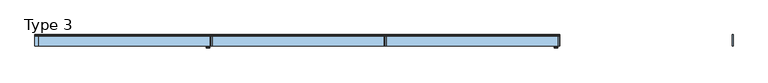
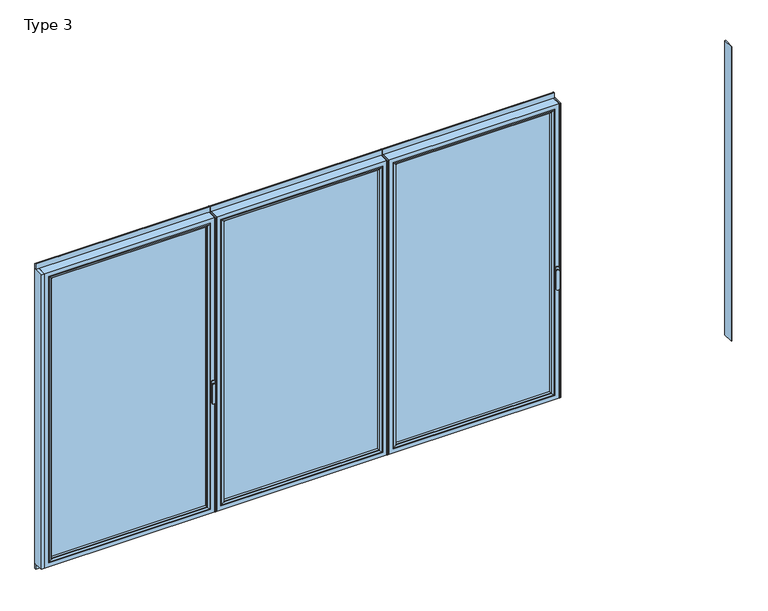
"""IFC4 building model written with IfcOpenShell, lengths in millimetres: window geometry, Type 3."""

from ifc_helpers import new_model, si_unit, point, frame, frame_2d, origin, place, context, project, spatial, polyline, circle_curve, ellipse_curve, trimmed, segment, composite_curve, outline, extrude, source, transform, mapped, element, save
from ifc_brep_helpers import plane_surface, cylinder_surface, extruded_surface, advanced_brep


def type_3_05ee2ec4(model_context):
    return source(origin(), model_context, "Body", "SolidModel", [
        advanced_brep(
        [(1224.3863692, -63.5, 1050.0), (1248.3636308, -63.5, 1050.0), (1248.3636308, -66.8965533, 1050.0), (1224.3863692, -66.8965533, 1050.0), (1224.3863692, -74.5, 1050.0), (1224.3863692, -74.5, 918.6867153), (1248.3636308, -74.5, 918.6867153), (1248.3636308, -74.5, 1050.0), (1248.3636308, -66.8965533, 918.6867153), (1224.3863692, -66.8965533, 918.6867153)],
        [
            (0, 1, circle_curve(frame((1236.375, -63.5, 1050.0), z_axis=(0.0, 1.0, 0.0), x_axis=(1.0, 0.0, 0.0)), 11.9886308)),
            (1, 0, circle_curve(frame((1236.375, -63.5, 1050.0), z_axis=(0.0, 1.0, 0.0), x_axis=(1.0, 0.0, 0.0)), 11.9886308)),
            (1, 2),
            (2, 3, circle_curve(frame((1236.375, -66.8965533, 1050.0), z_axis=(0.0, 1.0, 0.0), x_axis=(1.0, 0.0, 0.0)), 11.9886308)),
            (3, 0),
            (3, 2, circle_curve(frame((1236.375, -66.8965533, 1050.0), z_axis=(0.0, 1.0, 0.0), x_axis=(1.0, 0.0, 0.0)), 11.9886308)),
            (4, 5),
            (5, 6, ellipse_curve(frame((1236.375, -74.5, 918.6867153), z_axis=(0.0, -1.0, 0.0), x_axis=(-1.0, 0.0, 0.0)), 11.9886308, 7.9050795)),
            (6, 7),
            (7, 4, circle_curve(frame((1236.375, -74.5, 1050.0), z_axis=(0.0, -1.0, 0.0), x_axis=(1.0, 0.0, 0.0)), 11.9886308)),
            (2, 8),
            (8, 9, ellipse_curve(frame((1236.375, -66.8965533, 918.6867153), z_axis=(0.0, 1.0, 0.0), x_axis=(-1.0, 0.0, 0.0)), 11.9886308, 7.9050795)),
            (9, 3),
            (4, 3),
            (9, 5),
            (8, 6),
            (2, 7),
        ],
        [
            plane_surface(frame((1248.3636308, -63.5, 1050.0), z_axis=(0.0, 1.0, 0.0), x_axis=(0.0, 0.0, -1.0))),
            cylinder_surface(frame((1236.375, -63.5, 1050.0), z_axis=(0.0, -1.0, 0.0), x_axis=(1.0, 0.0, 0.0)), 11.9886308),
            plane_surface(frame((1224.3863692, -74.5, 928.3382074), z_axis=(0.0, -1.0, 0.0), x_axis=(0.0, 0.0, -1.0))),
            plane_surface(frame((1224.3863692, -66.8965533, 928.3382074), z_axis=(0.0, 1.0, 0.0), x_axis=(0.0, 0.0, 1.0))),
            plane_surface(frame((1224.3863692, -74.5, 1050.0), z_axis=(-1.0, 0.0, 0.0), x_axis=(0.0, 1.0, 0.0))),
            extruded_surface(trimmed(ellipse_curve(frame((1236.375, -59.2931066, 918.6867153), z_axis=(0.0, -1.0, 0.0), x_axis=(-1.0, 0.0, 0.0)), 11.9886308, 7.9050795), [point((1224.3863692, -59.2931066, 918.6867153))], [point((1248.3636308, -59.2931066, 918.6867153))], True, "CARTESIAN"), (0.0, -7.603446699999992, 0.0), 7.603446699999992),
            plane_surface(frame((1248.3636308, -74.5, 918.6867153), z_axis=(1.0, 0.0, 0.0), x_axis=(0.0, 1.0, 0.0))),
            cylinder_surface(frame((1236.375, -66.8965533, 1050.0), z_axis=(0.0, -1.0, 0.0), x_axis=(1.0, 0.0, 0.0)), 11.9886308),
        ],
        [
            (0, [[1, 2]]),
            (1, [[-2, 3, 4, 5]]),
            (1, [[-1, -5, 6, -3]]),
            (2, [[7, 8, 9, 10]]),
            (3, [[11, 12, 13, -4]]),
            (4, [[-7, 14, -13, 15]]),
            (5, [[-8, -15, -12, 16]]),
            (6, [[-9, -16, -11, 17]]),
            (7, [[-10, -17, -6, -14]]),
        ],
    ),
        extrude(outline(composite_curve([segment(polyline([(1068.75, 1222.375), (1031.25, 1222.375)]), True, "CONTINUOUS"), segment(trimmed(circle_curve(frame_2d((1031.25, 1236.375)), 14.0), [point((1031.25, 1222.375))], [point((1031.25, 1250.375))], False, "CARTESIAN"), True, "CONTINUOUS"), segment(polyline([(1031.25, 1250.375), (1068.75, 1250.375)]), True, "CONTINUOUS"), segment(trimmed(circle_curve(frame_2d((1068.75, 1236.375)), 14.0), [point((1068.75, 1250.375))], [point((1068.75, 1222.375))], False, "CARTESIAN"), True, "CONTINUOUS")], self_intersect=False)), frame((0.0, -63.5, 0.0), z_axis=(0.0, 1.0, 0.0), x_axis=(0.0, 0.0, 1.0)), (0.0, 0.0, 1.0), 3.5),
        extrude(outline(polyline([(10.75, 20.0), (16.75, 20.0), (16.75, -60.0), (10.75, -60.0), (10.75, 20.0)])), frame((0.0, 0.0, 66.0), z_axis=(0.0, 0.0, 1.0), x_axis=(1.0, 0.0, 0.0)), (0.0, 0.0, 1.0), 2258.0),
        extrude(outline(polyline([(1258.375, 20.0), (1258.375, -60.0), (1252.375, -60.0), (1252.375, 20.0), (1258.375, 20.0)])), frame((0.0, 0.0, 66.0), z_axis=(0.0, 0.0, 1.0), x_axis=(1.0, 0.0, 0.0)), (0.0, 0.0, 1.0), 2258.0),
        advanced_brep(
        [(16.75, -60.0, 2324.0), (16.75, 20.0, 2324.0), (16.75, 20.0, 66.0), (16.75, -60.0, 66.0), (1252.375, 20.0, 66.0), (1252.375, -60.0, 66.0), (1252.375, 20.0, 2324.0), (1206.8753707, 20.0, 111.4996293), (1206.8753707, 20.0, 2278.5003707), (62.2496293, 20.0, 2278.5003707), (62.2496293, 20.0, 111.4996293), (1252.375, -60.0, 2324.0), (48.75, -60.0, 98.0), (48.75, -60.0, 2292.0), (1220.375, -60.0, 2292.0), (1220.375, -60.0, 98.0), (48.75, 3.9999997, 2292.0), (48.75, 3.9999997, 98.0), (1220.375, 3.9999997, 98.0), (1220.375, 3.9999997, 2292.0), (66.750012, 3.9999997, 116.000012), (66.750012, 3.9999997, 2273.999988), (1202.374988, 3.9999997, 2273.999988), (1202.374988, 3.9999997, 116.000012), (66.750012, 15.4995565, 2273.999988), (66.750012, 15.4995565, 116.000012), (1202.374988, 15.4995565, 116.000012), (1202.374988, 15.4995565, 2273.999988)],
        [
            (0, 1),
            (1, 2),
            (2, 3),
            (3, 0),
            (2, 4),
            (4, 5),
            (5, 3),
            (1, 6),
            (6, 4),
            (7, 8),
            (8, 9),
            (9, 10),
            (10, 7),
            (6, 11),
            (11, 5),
            (11, 0),
            (12, 13),
            (13, 14),
            (14, 15),
            (15, 12),
            (16, 13),
            (12, 17),
            (17, 16),
            (15, 18),
            (18, 17),
            (14, 19),
            (19, 18),
            (19, 16),
            (20, 21),
            (21, 22),
            (22, 23),
            (23, 20),
            (24, 21),
            (20, 25),
            (25, 24),
            (23, 26),
            (26, 25),
            (22, 27),
            (27, 26),
            (10, 25, ellipse_curve(frame((62.2496293, 15.4995565, 111.4996293), z_axis=(0.7071067811865475, 0.0, -0.7071067811865475), x_axis=(-0.7071067811865476, 0.0, -0.7071067811865474)), 6.3645023, 4.5003827)),
            (26, 7, ellipse_curve(frame((1206.8753707, 15.4995565, 111.4996293), z_axis=(-0.7071067811865475, 0.0, -0.7071067811865475), x_axis=(-0.7071067811865476, 0.0, 0.7071067811865474)), 6.3645023, 4.5003827)),
            (9, 24, ellipse_curve(frame((62.2496293, 15.4995565, 2278.5003707), z_axis=(-0.7071067811865475, 0.0, -0.7071067811865475), x_axis=(-0.7071067811865474, 0.0, 0.7071067811865476)), 6.3645023, 4.5003827)),
            (27, 8, ellipse_curve(frame((1206.8753707, 15.4995565, 2278.5003707), z_axis=(0.7071067811865475, 0.0, -0.7071067811865475), x_axis=(-0.7071067811865474, 0.0, -0.7071067811865476)), 6.3645023, 4.5003827)),
            (24, 27),
        ],
        [
            plane_surface(frame((16.75, 20.0, 2324.0), z_axis=(-1.0, 0.0, 0.0), x_axis=(0.0, 0.0, -1.0))),
            plane_surface(frame((16.75, 20.0, 66.0), z_axis=(0.0, 0.0, -1.0), x_axis=(1.0, 0.0, 0.0))),
            plane_surface(frame((62.2496293, 20.0, 2278.5003707), z_axis=(0.0, 1.0, 0.0), x_axis=(0.0, 0.0, -1.0))),
            plane_surface(frame((1252.375, 20.0, 66.0), z_axis=(1.0, 0.0, 0.0), x_axis=(0.0, 0.0, 1.0))),
            plane_surface(frame((16.75, -60.0, 2324.0), z_axis=(0.0, -1.0, 0.0), x_axis=(0.0, 0.0, -1.0))),
            plane_surface(frame((48.75, -60.0, 2292.0), z_axis=(1.0, 0.0, 0.0), x_axis=(0.0, 0.0, -1.0))),
            plane_surface(frame((48.75, -60.0, 98.0), z_axis=(0.0, 0.0, 1.0), x_axis=(1.0, 0.0, 0.0))),
            plane_surface(frame((1220.375, -60.0, 98.0), z_axis=(-1.0, 0.0, 0.0), x_axis=(0.0, 0.0, 1.0))),
            plane_surface(frame((48.75, 3.9999997, 2292.0), z_axis=(0.0, -1.0, 0.0), x_axis=(0.0, 0.0, -1.0))),
            plane_surface(frame((66.750012, 3.9999997, 2273.999988), z_axis=(1.0, 0.0, 0.0), x_axis=(0.0, 0.0, -1.0))),
            plane_surface(frame((66.750012, 3.9999997, 116.000012), z_axis=(0.0, 0.0, 1.0), x_axis=(1.0, 0.0, 0.0))),
            plane_surface(frame((1202.374988, 3.9999997, 116.000012), z_axis=(-1.0, 0.0, 0.0), x_axis=(0.0, 0.0, 1.0))),
            cylinder_surface(frame((10.75, 15.4995565, 111.4996293), z_axis=(-1.0, 0.0, 0.0), x_axis=(0.0, -1.0, 0.0)), 4.5003827),
            cylinder_surface(frame((62.2496293, 15.4995565, 2330.0), z_axis=(0.0, 0.0, 1.0), x_axis=(0.0, -1.0, 0.0)), 4.5003827),
            cylinder_surface(frame((1206.8753707, 15.4995565, 60.0), z_axis=(0.0, 0.0, -1.0), x_axis=(0.0, -1.0, 0.0)), 4.5003827),
            plane_surface(frame((1252.375, 20.0, 2324.0), z_axis=(0.0, 0.0, 1.0), x_axis=(-1.0, 0.0, 0.0))),
            plane_surface(frame((1220.375, -60.0, 2292.0), z_axis=(0.0, 0.0, -1.0), x_axis=(-1.0, 0.0, 0.0))),
            plane_surface(frame((1202.374988, 3.9999997, 2273.999988), z_axis=(0.0, 0.0, -1.0), x_axis=(-1.0, 0.0, 0.0))),
            cylinder_surface(frame((1258.375, 15.4995565, 2278.5003707), z_axis=(1.0, 0.0, 0.0), x_axis=(0.0, -1.0, 0.0)), 4.5003827),
        ],
        [
            (0, [[1, 2, 3, 4]]),
            (1, [[-3, 5, 6, 7]]),
            (2, [[-2, 8, 9, -5], [10, 11, 12, 13]]),
            (3, [[-6, -9, 14, 15]]),
            (4, [[-15, 16, -4, -7], [17, 18, 19, 20]]),
            (5, [[21, -17, 22, 23]]),
            (6, [[-22, -20, 24, 25]]),
            (7, [[-24, -19, 26, 27]]),
            (8, [[-27, 28, -23, -25], [29, 30, 31, 32]]),
            (9, [[33, -29, 34, 35]]),
            (10, [[-34, -32, 36, 37]]),
            (11, [[-36, -31, 38, 39]]),
            (12, [[40, -37, 41, -13]]),
            (13, [[42, -35, -40, -12]]),
            (14, [[-41, -39, 43, -10]]),
            (15, [[-14, -8, -1, -16]]),
            (16, [[-26, -18, -21, -28]]),
            (17, [[-38, -30, -33, 44]]),
            (18, [[-43, -44, -42, -11]]),
        ],
    ),
        extrude(outline(polyline([(48.7503172, 3.9999997), (1220.3746828, 3.9999997), (1220.3746828, -34.0000003), (48.7503172, -34.0000003), (48.7503172, 3.9999997)])), frame((0.0, 0.0, 98.0003172), z_axis=(0.0, 0.0, 1.0), x_axis=(1.0, 0.0, 0.0)), (0.0, 0.0, 1.0), 2193.9993657),
        advanced_brep(
        [(1198.3751101, -54.5552044, 2270.0001101), (1198.3751101, -34.0000003, 2270.0001101), (1198.3751101, -34.0000003, 119.9998899), (1198.3751101, -54.5552044, 119.9998899), (1220.3746828, -34.0000003, 2291.9996828), (1220.3746828, -34.0000003, 98.0003172), (48.7503172, -34.0000003, 98.0003172), (48.7503172, -34.0000003, 2291.9996828), (70.7498899, -34.0000003, 2270.0001101), (70.7498899, -34.0000003, 119.9998899), (70.7498899, -54.5552044, 119.9998899), (1199.0846535, -55.8045072, 2270.7096535), (1199.0846535, -55.8045072, 119.2903465), (70.0403465, -55.8045072, 119.2903465), (1214.3747439, -60.0, 2285.9997439), (1214.3747439, -60.0, 104.0002561), (54.7502561, -60.0, 104.0002561), (48.7503172, -60.0, 2291.9996828), (48.7503172, -60.0, 98.0003172), (1220.3746828, -60.0, 98.0003172), (1220.3746828, -60.0, 2291.9996828), (54.7502561, -60.0, 2285.9997439), (70.7498899, -54.5552044, 2270.0001101), (70.0403465, -55.8045072, 2270.7096535)],
        [
            (0, 1),
            (1, 2),
            (2, 3),
            (3, 0),
            (4, 5),
            (5, 6),
            (6, 7),
            (7, 4),
            (8, 9),
            (9, 2),
            (1, 8),
            (9, 10),
            (10, 3),
            (11, 0, ellipse_curve(frame((1199.8297141, -54.5552044, 2271.4547141), z_axis=(0.7071067811865475, 0.0, -0.7071067811865475), x_axis=(0.7071067811865474, 0.0, 0.7071067811865476)), 2.0571207, 1.454604)),
            (3, 12, ellipse_curve(frame((1199.8297141, -54.5552044, 118.5452859), z_axis=(0.7071067811865475, 0.0, 0.7071067811865475), x_axis=(-0.7071067811865474, 0.0, 0.7071067811865476)), 2.0571207, 1.454604)),
            (12, 11),
            (10, 13, ellipse_curve(frame((69.2952859, -54.5552044, 118.5452859), z_axis=(0.7071067811865475, 0.0, -0.7071067811865475), x_axis=(0.7071067811865476, 0.0, 0.7071067811865474)), 2.0571207, 1.454604)),
            (13, 12),
            (14, 11, ellipse_curve(frame((1214.3108083, -30.2735922, 2285.9358083), z_axis=(0.7071067811865475, 0.0, -0.7071067811865475), x_axis=(0.7071067811865474, 0.0, 0.7071067811865476)), 42.0395863, 29.7264765)),
            (12, 15, ellipse_curve(frame((1214.3108083, -30.2735922, 104.0641917), z_axis=(0.7071067811865475, 0.0, 0.7071067811865475), x_axis=(-0.7071067811865474, 0.0, 0.7071067811865476)), 42.0395863, 29.7264765)),
            (15, 14),
            (13, 16, ellipse_curve(frame((54.8141917, -30.2735922, 104.0641917), z_axis=(0.7071067811865475, 0.0, -0.7071067811865475), x_axis=(0.7071067811865476, 0.0, 0.7071067811865474)), 42.0395863, 29.7264765)),
            (16, 15),
            (17, 18),
            (18, 19),
            (19, 20),
            (20, 17),
            (16, 21),
            (21, 14),
            (4, 20),
            (19, 5),
            (18, 6),
            (8, 22),
            (22, 10),
            (22, 23, ellipse_curve(frame((69.2952859, -54.5552044, 2271.4547141), z_axis=(-0.7071067811865475, 0.0, -0.7071067811865475), x_axis=(0.7071067811865474, 0.0, -0.7071067811865476)), 2.0571207, 1.454604)),
            (23, 13),
            (23, 21, ellipse_curve(frame((54.8141917, -30.2735922, 2285.9358083), z_axis=(-0.7071067811865475, 0.0, -0.7071067811865475), x_axis=(0.7071067811865474, 0.0, -0.7071067811865476)), 42.0395863, 29.7264765)),
            (17, 7),
            (0, 22),
            (11, 23),
        ],
        [
            plane_surface(frame((1198.3751101, -34.0000003, 2270.0001101), z_axis=(-1.0, 0.0, 0.0), x_axis=(0.0, 0.0, -1.0))),
            plane_surface(frame((48.7503172, -34.0000003, 98.0003172), z_axis=(0.0, 1.0, 0.0), x_axis=(0.0, 0.0, 1.0))),
            plane_surface(frame((1198.3751101, -34.0000003, 119.9998899), z_axis=(0.0, 0.0, 1.0), x_axis=(-1.0, 0.0, 0.0))),
            cylinder_surface(frame((1199.8297141, -54.5552044, 2273.999988), z_axis=(0.0, 0.0, 1.0), x_axis=(1.0, 0.0, 0.0)), 1.454604),
            cylinder_surface(frame((1202.374988, -54.5552044, 118.5452859), z_axis=(1.0, 0.0, 0.0), x_axis=(0.0, 0.0, -1.0)), 1.454604),
            cylinder_surface(frame((1214.3108083, -30.2735922, 2273.999988), z_axis=(0.0, 0.0, 1.0), x_axis=(1.0, 0.0, 0.0)), 29.7264765),
            cylinder_surface(frame((1202.374988, -30.2735922, 104.0641917), z_axis=(1.0, 0.0, 0.0), x_axis=(0.0, 0.0, -1.0)), 29.7264765),
            plane_surface(frame((54.7502561, -60.0, 104.0002561), z_axis=(0.0, -1.0, 0.0), x_axis=(0.0, 0.0, 1.0))),
            plane_surface(frame((1220.3746828, -60.0, 2291.9996828), z_axis=(1.0, 0.0, 0.0), x_axis=(0.0, 0.0, -1.0))),
            plane_surface(frame((1220.3746828, -60.0, 98.0003172), z_axis=(0.0, 0.0, -1.0), x_axis=(-1.0, 0.0, 0.0))),
            plane_surface(frame((70.7498899, -34.0000003, 119.9998899), z_axis=(1.0, 0.0, 0.0), x_axis=(0.0, 0.0, 1.0))),
            cylinder_surface(frame((69.2952859, -54.5552044, 116.000012), z_axis=(0.0, 0.0, -1.0), x_axis=(-1.0, 0.0, 0.0)), 1.454604),
            cylinder_surface(frame((54.8141917, -30.2735922, 116.000012), z_axis=(0.0, 0.0, -1.0), x_axis=(-1.0, 0.0, 0.0)), 29.7264765),
            plane_surface(frame((48.7503172, -60.0, 98.0003172), z_axis=(-1.0, 0.0, 0.0), x_axis=(0.0, 0.0, 1.0))),
            plane_surface(frame((70.7498899, -34.0000003, 2270.0001101), z_axis=(0.0, 0.0, -1.0), x_axis=(1.0, 0.0, 0.0))),
            cylinder_surface(frame((66.750012, -54.5552044, 2271.4547141), z_axis=(-1.0, 0.0, 0.0), x_axis=(0.0, 0.0, 1.0)), 1.454604),
            cylinder_surface(frame((66.750012, -30.2735922, 2285.9358083), z_axis=(-1.0, 0.0, 0.0), x_axis=(0.0, 0.0, 1.0)), 29.7264765),
            plane_surface(frame((48.7503172, -60.0, 2291.9996828), z_axis=(0.0, 0.0, 1.0), x_axis=(1.0, 0.0, 0.0))),
        ],
        [
            (0, [[1, 2, 3, 4]]),
            (1, [[5, 6, 7, 8], [9, 10, -2, 11]]),
            (2, [[-3, -10, 12, 13]]),
            (3, [[14, -4, 15, 16]]),
            (4, [[-15, -13, 17, 18]]),
            (5, [[19, -16, 20, 21]]),
            (6, [[-20, -18, 22, 23]]),
            (7, [[24, 25, 26, 27], [-21, -23, 28, 29]]),
            (8, [[30, -26, 31, -5]]),
            (9, [[-31, -25, 32, -6]]),
            (10, [[-12, -9, 33, 34]]),
            (11, [[-17, -34, 35, 36]]),
            (12, [[-22, -36, 37, -28]]),
            (13, [[-32, -24, 38, -7]]),
            (14, [[-33, -11, -1, 39]]),
            (15, [[-35, -39, -14, 40]]),
            (16, [[-37, -40, -19, -29]]),
            (17, [[-38, -27, -30, -8]]),
        ],
    ),
        extrude(outline(composite_curve([segment(polyline([(20.0, 2362.5), (20.0, 2324.0), (10.0, 2324.0), (10.0, 2365.0), (17.5, 2365.0)]), True, "CONTINUOUS"), segment(trimmed(circle_curve(frame_2d((17.5, 2362.5)), 2.5), [point((17.5, 2365.0))], [point((20.0, 2362.5))], False, "CARTESIAN"), True, "CONTINUOUS")], self_intersect=False)), frame((10.75, 0.0, 0.0), z_axis=(1.0, 0.0, 0.0), x_axis=(0.0, 1.0, 0.0)), (0.0, 0.0, 1.0), 1247.625),
        extrude(outline(composite_curve([segment(trimmed(circle_curve(frame_2d((17.5, 27.5)), 2.5), [point((20.0, 27.5))], [point((17.5, 25.0))], False, "CARTESIAN"), True, "CONTINUOUS"), segment(polyline([(17.5, 25.0), (10.0, 25.0), (10.0, 66.0), (20.0, 66.0), (20.0, 27.5)]), True, "CONTINUOUS")], self_intersect=False)), frame((10.75, 0.0, 0.0), z_axis=(1.0, 0.0, 0.0), x_axis=(0.0, 1.0, 0.0)), (0.0, 0.0, 1.0), 1247.625),
        extrude(outline(polyline([(-1236.875, 20.0), (-1230.875, 20.0), (-1230.875, -60.0), (-1236.875, -60.0), (-1236.875, 20.0)])), frame((0.0, 0.0, 66.0), z_axis=(0.0, 0.0, 1.0), x_axis=(1.0, 0.0, 0.0)), (0.0, 0.0, 1.0), 2258.0),
        extrude(outline(polyline([(10.75, 20.0), (10.75, -60.0), (4.75, -60.0), (4.75, 20.0), (10.75, 20.0)])), frame((0.0, 0.0, 66.0), z_axis=(0.0, 0.0, 1.0), x_axis=(1.0, 0.0, 0.0)), (0.0, 0.0, 1.0), 2258.0),
        advanced_brep(
        [(-1230.875, -60.0, 2324.0), (-1230.875, 20.0, 2324.0), (-1230.875, 20.0, 66.0), (-1230.875, -60.0, 66.0), (4.75, 20.0, 66.0), (4.75, -60.0, 66.0), (4.75, 20.0, 2324.0), (-40.7496293, 20.0, 111.4996293), (-40.7496293, 20.0, 2278.5003707), (-1185.3753707, 20.0, 2278.5003707), (-1185.3753707, 20.0, 111.4996293), (4.75, -60.0, 2324.0), (-1198.875, -60.0, 98.0), (-1198.875, -60.0, 2292.0), (-27.25, -60.0, 2292.0), (-27.25, -60.0, 98.0), (-1198.875, 3.9999997, 2292.0), (-1198.875, 3.9999997, 98.0), (-27.25, 3.9999997, 98.0), (-27.25, 3.9999997, 2292.0), (-1180.874988, 3.9999997, 116.000012), (-1180.874988, 3.9999997, 2273.999988), (-45.250012, 3.9999997, 2273.999988), (-45.250012, 3.9999997, 116.000012), (-1180.874988, 15.4995565, 2273.999988), (-1180.874988, 15.4995565, 116.000012), (-45.250012, 15.4995565, 116.000012), (-45.250012, 15.4995565, 2273.999988)],
        [
            (0, 1),
            (1, 2),
            (2, 3),
            (3, 0),
            (2, 4),
            (4, 5),
            (5, 3),
            (1, 6),
            (6, 4),
            (7, 8),
            (8, 9),
            (9, 10),
            (10, 7),
            (6, 11),
            (11, 5),
            (11, 0),
            (12, 13),
            (13, 14),
            (14, 15),
            (15, 12),
            (16, 13),
            (12, 17),
            (17, 16),
            (15, 18),
            (18, 17),
            (14, 19),
            (19, 18),
            (19, 16),
            (20, 21),
            (21, 22),
            (22, 23),
            (23, 20),
            (24, 21),
            (20, 25),
            (25, 24),
            (23, 26),
            (26, 25),
            (22, 27),
            (27, 26),
            (10, 25, ellipse_curve(frame((-1185.3753707, 15.4995565, 111.4996293), z_axis=(0.7071067811865475, 0.0, -0.7071067811865475), x_axis=(-0.7071067811865476, 0.0, -0.7071067811865474)), 6.3645023, 4.5003827)),
            (26, 7, ellipse_curve(frame((-40.7496293, 15.4995565, 111.4996293), z_axis=(-0.7071067811865475, 0.0, -0.7071067811865475), x_axis=(-0.7071067811865476, 0.0, 0.7071067811865474)), 6.3645023, 4.5003827)),
            (9, 24, ellipse_curve(frame((-1185.3753707, 15.4995565, 2278.5003707), z_axis=(-0.7071067811865475, 0.0, -0.7071067811865475), x_axis=(-0.7071067811865474, 0.0, 0.7071067811865476)), 6.3645023, 4.5003827)),
            (27, 8, ellipse_curve(frame((-40.7496293, 15.4995565, 2278.5003707), z_axis=(0.7071067811865475, 0.0, -0.7071067811865475), x_axis=(-0.7071067811865474, 0.0, -0.7071067811865476)), 6.3645023, 4.5003827)),
            (24, 27),
        ],
        [
            plane_surface(frame((-1230.875, 20.0, 2324.0), z_axis=(-1.0, 0.0, 0.0), x_axis=(0.0, 0.0, -1.0))),
            plane_surface(frame((-1230.875, 20.0, 66.0), z_axis=(0.0, 0.0, -1.0), x_axis=(1.0, 0.0, 0.0))),
            plane_surface(frame((-1185.3753707, 20.0, 2278.5003707), z_axis=(0.0, 1.0, 0.0), x_axis=(0.0, 0.0, -1.0))),
            plane_surface(frame((4.75, 20.0, 66.0), z_axis=(1.0, 0.0, 0.0), x_axis=(0.0, 0.0, 1.0))),
            plane_surface(frame((-1230.875, -60.0, 2324.0), z_axis=(0.0, -1.0, 0.0), x_axis=(0.0, 0.0, -1.0))),
            plane_surface(frame((-1198.875, -60.0, 2292.0), z_axis=(1.0, 0.0, 0.0), x_axis=(0.0, 0.0, -1.0))),
            plane_surface(frame((-1198.875, -60.0, 98.0), z_axis=(0.0, 0.0, 1.0), x_axis=(1.0, 0.0, 0.0))),
            plane_surface(frame((-27.25, -60.0, 98.0), z_axis=(-1.0, 0.0, 0.0), x_axis=(0.0, 0.0, 1.0))),
            plane_surface(frame((-1198.875, 3.9999997, 2292.0), z_axis=(0.0, -1.0, 0.0), x_axis=(0.0, 0.0, -1.0))),
            plane_surface(frame((-1180.874988, 3.9999997, 2273.999988), z_axis=(1.0, 0.0, 0.0), x_axis=(0.0, 0.0, -1.0))),
            plane_surface(frame((-1180.874988, 3.9999997, 116.000012), z_axis=(0.0, 0.0, 1.0), x_axis=(1.0, 0.0, 0.0))),
            plane_surface(frame((-45.250012, 3.9999997, 116.000012), z_axis=(-1.0, 0.0, 0.0), x_axis=(0.0, 0.0, 1.0))),
            cylinder_surface(frame((-1236.875, 15.4995565, 111.4996293), z_axis=(-1.0, 0.0, 0.0), x_axis=(0.0, -1.0, 0.0)), 4.5003827),
            cylinder_surface(frame((-1185.3753707, 15.4995565, 2330.0), z_axis=(0.0, 0.0, 1.0), x_axis=(0.0, -1.0, 0.0)), 4.5003827),
            cylinder_surface(frame((-40.7496293, 15.4995565, 60.0), z_axis=(0.0, 0.0, -1.0), x_axis=(0.0, -1.0, 0.0)), 4.5003827),
            plane_surface(frame((4.75, 20.0, 2324.0), z_axis=(0.0, 0.0, 1.0), x_axis=(-1.0, 0.0, 0.0))),
            plane_surface(frame((-27.25, -60.0, 2292.0), z_axis=(0.0, 0.0, -1.0), x_axis=(-1.0, 0.0, 0.0))),
            plane_surface(frame((-45.250012, 3.9999997, 2273.999988), z_axis=(0.0, 0.0, -1.0), x_axis=(-1.0, 0.0, 0.0))),
            cylinder_surface(frame((10.75, 15.4995565, 2278.5003707), z_axis=(1.0, 0.0, 0.0), x_axis=(0.0, -1.0, 0.0)), 4.5003827),
        ],
        [
            (0, [[1, 2, 3, 4]]),
            (1, [[-3, 5, 6, 7]]),
            (2, [[-2, 8, 9, -5], [10, 11, 12, 13]]),
            (3, [[-6, -9, 14, 15]]),
            (4, [[-15, 16, -4, -7], [17, 18, 19, 20]]),
            (5, [[21, -17, 22, 23]]),
            (6, [[-22, -20, 24, 25]]),
            (7, [[-24, -19, 26, 27]]),
            (8, [[-27, 28, -23, -25], [29, 30, 31, 32]]),
            (9, [[33, -29, 34, 35]]),
            (10, [[-34, -32, 36, 37]]),
            (11, [[-36, -31, 38, 39]]),
            (12, [[40, -37, 41, -13]]),
            (13, [[42, -35, -40, -12]]),
            (14, [[-41, -39, 43, -10]]),
            (15, [[-14, -8, -1, -16]]),
            (16, [[-26, -18, -21, -28]]),
            (17, [[-38, -30, -33, 44]]),
            (18, [[-43, -44, -42, -11]]),
        ],
    ),
        extrude(outline(polyline([(-1198.8746828, 3.9999997), (-27.2503172, 3.9999997), (-27.2503172, -34.0000003), (-1198.8746828, -34.0000003), (-1198.8746828, 3.9999997)])), frame((0.0, 0.0, 98.0003172), z_axis=(0.0, 0.0, 1.0), x_axis=(1.0, 0.0, 0.0)), (0.0, 0.0, 1.0), 2193.9993657),
        advanced_brep(
        [(-49.2498899, -54.5552044, 2270.0001101), (-49.2498899, -34.0000003, 2270.0001101), (-49.2498899, -34.0000003, 119.9998899), (-49.2498899, -54.5552044, 119.9998899), (-27.2503172, -34.0000003, 2291.9996828), (-27.2503172, -34.0000003, 98.0003172), (-1198.8746828, -34.0000003, 98.0003172), (-1198.8746828, -34.0000003, 2291.9996828), (-1176.8751101, -34.0000003, 2270.0001101), (-1176.8751101, -34.0000003, 119.9998899), (-1176.8751101, -54.5552044, 119.9998899), (-48.5403465, -55.8045072, 2270.7096535), (-48.5403465, -55.8045072, 119.2903465), (-1177.5846535, -55.8045072, 119.2903465), (-33.2502561, -60.0, 2285.9997439), (-33.2502561, -60.0, 104.0002561), (-1192.8747439, -60.0, 104.0002561), (-1198.8746828, -60.0, 2291.9996828), (-1198.8746828, -60.0, 98.0003172), (-27.2503172, -60.0, 98.0003172), (-27.2503172, -60.0, 2291.9996828), (-1192.8747439, -60.0, 2285.9997439), (-1176.8751101, -54.5552044, 2270.0001101), (-1177.5846535, -55.8045072, 2270.7096535)],
        [
            (0, 1),
            (1, 2),
            (2, 3),
            (3, 0),
            (4, 5),
            (5, 6),
            (6, 7),
            (7, 4),
            (8, 9),
            (9, 2),
            (1, 8),
            (9, 10),
            (10, 3),
            (11, 0, ellipse_curve(frame((-47.7952859, -54.5552044, 2271.4547141), z_axis=(0.7071067811865475, 0.0, -0.7071067811865475), x_axis=(0.7071067811865474, 0.0, 0.7071067811865476)), 2.0571207, 1.454604)),
            (3, 12, ellipse_curve(frame((-47.7952859, -54.5552044, 118.5452859), z_axis=(0.7071067811865475, 0.0, 0.7071067811865475), x_axis=(-0.7071067811865474, 0.0, 0.7071067811865476)), 2.0571207, 1.454604)),
            (12, 11),
            (10, 13, ellipse_curve(frame((-1178.3297141, -54.5552044, 118.5452859), z_axis=(0.7071067811865475, 0.0, -0.7071067811865475), x_axis=(0.7071067811865476, 0.0, 0.7071067811865474)), 2.0571207, 1.454604)),
            (13, 12),
            (14, 11, ellipse_curve(frame((-33.3141917, -30.2735922, 2285.9358083), z_axis=(0.7071067811865475, 0.0, -0.7071067811865475), x_axis=(0.7071067811865474, 0.0, 0.7071067811865476)), 42.0395863, 29.7264765)),
            (12, 15, ellipse_curve(frame((-33.3141917, -30.2735922, 104.0641917), z_axis=(0.7071067811865475, 0.0, 0.7071067811865475), x_axis=(-0.7071067811865474, 0.0, 0.7071067811865476)), 42.0395863, 29.7264765)),
            (15, 14),
            (13, 16, ellipse_curve(frame((-1192.8108083, -30.2735922, 104.0641917), z_axis=(0.7071067811865475, 0.0, -0.7071067811865475), x_axis=(0.7071067811865476, 0.0, 0.7071067811865474)), 42.0395863, 29.7264765)),
            (16, 15),
            (17, 18),
            (18, 19),
            (19, 20),
            (20, 17),
            (16, 21),
            (21, 14),
            (4, 20),
            (19, 5),
            (18, 6),
            (8, 22),
            (22, 10),
            (22, 23, ellipse_curve(frame((-1178.3297141, -54.5552044, 2271.4547141), z_axis=(-0.7071067811865475, 0.0, -0.7071067811865475), x_axis=(0.7071067811865474, 0.0, -0.7071067811865476)), 2.0571207, 1.454604)),
            (23, 13),
            (23, 21, ellipse_curve(frame((-1192.8108083, -30.2735922, 2285.9358083), z_axis=(-0.7071067811865475, 0.0, -0.7071067811865475), x_axis=(0.7071067811865474, 0.0, -0.7071067811865476)), 42.0395863, 29.7264765)),
            (17, 7),
            (0, 22),
            (11, 23),
        ],
        [
            plane_surface(frame((-49.2498899, -34.0000003, 2270.0001101), z_axis=(-1.0, 0.0, 0.0), x_axis=(0.0, 0.0, -1.0))),
            plane_surface(frame((-1198.8746828, -34.0000003, 98.0003172), z_axis=(0.0, 1.0, 0.0), x_axis=(0.0, 0.0, 1.0))),
            plane_surface(frame((-49.2498899, -34.0000003, 119.9998899), z_axis=(0.0, 0.0, 1.0), x_axis=(-1.0, 0.0, 0.0))),
            cylinder_surface(frame((-47.7952859, -54.5552044, 2273.999988), z_axis=(0.0, 0.0, 1.0), x_axis=(1.0, 0.0, 0.0)), 1.454604),
            cylinder_surface(frame((-45.250012, -54.5552044, 118.5452859), z_axis=(1.0, 0.0, 0.0), x_axis=(0.0, 0.0, -1.0)), 1.454604),
            cylinder_surface(frame((-33.3141917, -30.2735922, 2273.999988), z_axis=(0.0, 0.0, 1.0), x_axis=(1.0, 0.0, 0.0)), 29.7264765),
            cylinder_surface(frame((-45.250012, -30.2735922, 104.0641917), z_axis=(1.0, 0.0, 0.0), x_axis=(0.0, 0.0, -1.0)), 29.7264765),
            plane_surface(frame((-1192.8747439, -60.0, 104.0002561), z_axis=(0.0, -1.0, 0.0), x_axis=(0.0, 0.0, 1.0))),
            plane_surface(frame((-27.2503172, -60.0, 2291.9996828), z_axis=(1.0, 0.0, 0.0), x_axis=(0.0, 0.0, -1.0))),
            plane_surface(frame((-27.2503172, -60.0, 98.0003172), z_axis=(0.0, 0.0, -1.0), x_axis=(-1.0, 0.0, 0.0))),
            plane_surface(frame((-1176.8751101, -34.0000003, 119.9998899), z_axis=(1.0, 0.0, 0.0), x_axis=(0.0, 0.0, 1.0))),
            cylinder_surface(frame((-1178.3297141, -54.5552044, 116.000012), z_axis=(0.0, 0.0, -1.0), x_axis=(-1.0, 0.0, 0.0)), 1.454604),
            cylinder_surface(frame((-1192.8108083, -30.2735922, 116.000012), z_axis=(0.0, 0.0, -1.0), x_axis=(-1.0, 0.0, 0.0)), 29.7264765),
            plane_surface(frame((-1198.8746828, -60.0, 98.0003172), z_axis=(-1.0, 0.0, 0.0), x_axis=(0.0, 0.0, 1.0))),
            plane_surface(frame((-1176.8751101, -34.0000003, 2270.0001101), z_axis=(0.0, 0.0, -1.0), x_axis=(1.0, 0.0, 0.0))),
            cylinder_surface(frame((-1180.874988, -54.5552044, 2271.4547141), z_axis=(-1.0, 0.0, 0.0), x_axis=(0.0, 0.0, 1.0)), 1.454604),
            cylinder_surface(frame((-1180.874988, -30.2735922, 2285.9358083), z_axis=(-1.0, 0.0, 0.0), x_axis=(0.0, 0.0, 1.0)), 29.7264765),
            plane_surface(frame((-1198.8746828, -60.0, 2291.9996828), z_axis=(0.0, 0.0, 1.0), x_axis=(1.0, 0.0, 0.0))),
        ],
        [
            (0, [[1, 2, 3, 4]]),
            (1, [[5, 6, 7, 8], [9, 10, -2, 11]]),
            (2, [[-3, -10, 12, 13]]),
            (3, [[14, -4, 15, 16]]),
            (4, [[-15, -13, 17, 18]]),
            (5, [[19, -16, 20, 21]]),
            (6, [[-20, -18, 22, 23]]),
            (7, [[24, 25, 26, 27], [-21, -23, 28, 29]]),
            (8, [[30, -26, 31, -5]]),
            (9, [[-31, -25, 32, -6]]),
            (10, [[-12, -9, 33, 34]]),
            (11, [[-17, -34, 35, 36]]),
            (12, [[-22, -36, 37, -28]]),
            (13, [[-32, -24, 38, -7]]),
            (14, [[-33, -11, -1, 39]]),
            (15, [[-35, -39, -14, 40]]),
            (16, [[-37, -40, -19, -29]]),
            (17, [[-38, -27, -30, -8]]),
        ],
    ),
        extrude(outline(composite_curve([segment(polyline([(20.0, 2362.5), (20.0, 2324.0), (10.0, 2324.0), (10.0, 2365.0), (17.5, 2365.0)]), True, "CONTINUOUS"), segment(trimmed(circle_curve(frame_2d((17.5, 2362.5)), 2.5), [point((17.5, 2365.0))], [point((20.0, 2362.5))], False, "CARTESIAN"), True, "CONTINUOUS")], self_intersect=False)), frame((-1236.875, 0.0, 0.0), z_axis=(1.0, 0.0, 0.0), x_axis=(0.0, 1.0, 0.0)), (0.0, 0.0, 1.0), 1247.625),
        extrude(outline(composite_curve([segment(trimmed(circle_curve(frame_2d((17.5, 27.5)), 2.5), [point((20.0, 27.5))], [point((17.5, 25.0))], False, "CARTESIAN"), True, "CONTINUOUS"), segment(polyline([(17.5, 25.0), (10.0, 25.0), (10.0, 66.0), (20.0, 66.0), (20.0, 27.5)]), True, "CONTINUOUS")], self_intersect=False)), frame((-1236.875, 0.0, 0.0), z_axis=(1.0, 0.0, 0.0), x_axis=(0.0, 1.0, 0.0)), (0.0, 0.0, 1.0), 1247.625),
        advanced_brep(
        [(-1270.8636308, -63.5, 1050.0), (-1246.8863692, -63.5, 1050.0), (-1246.8863692, -66.8965533, 1050.0), (-1270.8636308, -66.8965533, 1050.0), (-1270.8636308, -74.5, 1050.0), (-1270.8636308, -74.5, 918.6867153), (-1246.8863692, -74.5, 918.6867153), (-1246.8863692, -74.5, 1050.0), (-1246.8863692, -66.8965533, 918.6867153), (-1270.8636308, -66.8965533, 918.6867153)],
        [
            (0, 1, circle_curve(frame((-1258.875, -63.5, 1050.0), z_axis=(0.0, 1.0, 0.0), x_axis=(1.0, 0.0, 0.0)), 11.9886308)),
            (1, 0, circle_curve(frame((-1258.875, -63.5, 1050.0), z_axis=(0.0, 1.0, 0.0), x_axis=(1.0, 0.0, 0.0)), 11.9886308)),
            (1, 2),
            (2, 3, circle_curve(frame((-1258.875, -66.8965533, 1050.0), z_axis=(0.0, 1.0, 0.0), x_axis=(1.0, 0.0, 0.0)), 11.9886308)),
            (3, 0),
            (3, 2, circle_curve(frame((-1258.875, -66.8965533, 1050.0), z_axis=(0.0, 1.0, 0.0), x_axis=(1.0, 0.0, 0.0)), 11.9886308)),
            (4, 5),
            (5, 6, ellipse_curve(frame((-1258.875, -74.5, 918.6867153), z_axis=(0.0, -1.0, 0.0), x_axis=(-1.0, 0.0, 0.0)), 11.9886308, 7.9050795)),
            (6, 7),
            (7, 4, circle_curve(frame((-1258.875, -74.5, 1050.0), z_axis=(0.0, -1.0, 0.0), x_axis=(1.0, 0.0, 0.0)), 11.9886308)),
            (2, 8),
            (8, 9, ellipse_curve(frame((-1258.875, -66.8965533, 918.6867153), z_axis=(0.0, 1.0, 0.0), x_axis=(-1.0, 0.0, 0.0)), 11.9886308, 7.9050795)),
            (9, 3),
            (4, 3),
            (9, 5),
            (8, 6),
            (2, 7),
        ],
        [
            plane_surface(frame((-1246.8863692, -63.5, 1050.0), z_axis=(0.0, 1.0, 0.0), x_axis=(0.0, 0.0, -1.0))),
            cylinder_surface(frame((-1258.875, -63.5, 1050.0), z_axis=(0.0, -1.0, 0.0), x_axis=(1.0, 0.0, 0.0)), 11.9886308),
            plane_surface(frame((-1270.8636308, -74.5, 928.3382074), z_axis=(0.0, -1.0, 0.0), x_axis=(0.0, 0.0, -1.0))),
            plane_surface(frame((-1270.8636308, -66.8965533, 928.3382074), z_axis=(0.0, 1.0, 0.0), x_axis=(0.0, 0.0, 1.0))),
            plane_surface(frame((-1270.8636308, -74.5, 1050.0), z_axis=(-1.0, 0.0, 0.0), x_axis=(0.0, 1.0, 0.0))),
            extruded_surface(trimmed(ellipse_curve(frame((-1258.875, -59.2931066, 918.6867153), z_axis=(0.0, -1.0, 0.0), x_axis=(-1.0, 0.0, 0.0)), 11.9886308, 7.9050795), [point((-1270.8636308, -59.2931066, 918.6867153))], [point((-1246.8863692, -59.2931066, 918.6867153))], True, "CARTESIAN"), (0.0, -7.603446699999992, 0.0), 7.603446699999992),
            plane_surface(frame((-1246.8863692, -74.5, 918.6867153), z_axis=(1.0, 0.0, 0.0), x_axis=(0.0, 1.0, 0.0))),
            cylinder_surface(frame((-1258.875, -66.8965533, 1050.0), z_axis=(0.0, -1.0, 0.0), x_axis=(1.0, 0.0, 0.0)), 11.9886308),
        ],
        [
            (0, [[1, 2]]),
            (1, [[-2, 3, 4, 5]]),
            (1, [[-1, -5, 6, -3]]),
            (2, [[7, 8, 9, 10]]),
            (3, [[11, 12, 13, -4]]),
            (4, [[-7, 14, -13, 15]]),
            (5, [[-8, -15, -12, 16]]),
            (6, [[-9, -16, -11, 17]]),
            (7, [[-10, -17, -6, -14]]),
        ],
    ),
        extrude(outline(composite_curve([segment(polyline([(1068.75, -1272.875), (1031.25, -1272.875)]), True, "CONTINUOUS"), segment(trimmed(circle_curve(frame_2d((1031.25, -1258.875)), 14.0), [point((1031.25, -1272.875))], [point((1031.25, -1244.875))], False, "CARTESIAN"), True, "CONTINUOUS"), segment(polyline([(1031.25, -1244.875), (1068.75, -1244.875)]), True, "CONTINUOUS"), segment(trimmed(circle_curve(frame_2d((1068.75, -1258.875)), 14.0), [point((1068.75, -1244.875))], [point((1068.75, -1272.875))], False, "CARTESIAN"), True, "CONTINUOUS")], self_intersect=False)), frame((0.0, -63.5, 0.0), z_axis=(0.0, 1.0, 0.0), x_axis=(0.0, 0.0, 1.0)), (0.0, 0.0, 1.0), 3.5),
        extrude(outline(polyline([(-2501.5, 20.0), (-2478.5, 20.0), (-2478.5, -60.0), (-2501.5, -60.0), (-2501.5, 20.0)])), frame((0.0, 0.0, 66.0), z_axis=(0.0, 0.0, 1.0), x_axis=(1.0, 0.0, 0.0)), (0.0, 0.0, 1.0), 2258.0),
        extrude(outline(polyline([(-1236.875, 20.0), (-1236.875, -60.0), (-1242.875, -60.0), (-1242.875, 20.0), (-1236.875, 20.0)])), frame((0.0, 0.0, 66.0), z_axis=(0.0, 0.0, 1.0), x_axis=(1.0, 0.0, 0.0)), (0.0, 0.0, 1.0), 2258.0),
        advanced_brep(
        [(-2478.5, -60.0, 2324.0), (-2478.5, 20.0, 2324.0), (-2478.5, 20.0, 66.0), (-2478.5, -60.0, 66.0), (-1242.875, 20.0, 66.0), (-1242.875, -60.0, 66.0), (-1242.875, 20.0, 2324.0), (-1288.3746293, 20.0, 111.4996293), (-1288.3746293, 20.0, 2278.5003707), (-2433.0003707, 20.0, 2278.5003707), (-2433.0003707, 20.0, 111.4996293), (-1242.875, -60.0, 2324.0), (-2446.5, -60.0, 98.0), (-2446.5, -60.0, 2292.0), (-1274.875, -60.0, 2292.0), (-1274.875, -60.0, 98.0), (-2446.5, 3.9999997, 2292.0), (-2446.5, 3.9999997, 98.0), (-1274.875, 3.9999997, 98.0), (-1274.875, 3.9999997, 2292.0), (-2428.499988, 3.9999997, 116.000012), (-2428.499988, 3.9999997, 2273.999988), (-1292.875012, 3.9999997, 2273.999988), (-1292.875012, 3.9999997, 116.000012), (-2428.499988, 15.4995565, 2273.999988), (-2428.499988, 15.4995565, 116.000012), (-1292.875012, 15.4995565, 116.000012), (-1292.875012, 15.4995565, 2273.999988)],
        [
            (0, 1),
            (1, 2),
            (2, 3),
            (3, 0),
            (2, 4),
            (4, 5),
            (5, 3),
            (1, 6),
            (6, 4),
            (7, 8),
            (8, 9),
            (9, 10),
            (10, 7),
            (6, 11),
            (11, 5),
            (11, 0),
            (12, 13),
            (13, 14),
            (14, 15),
            (15, 12),
            (16, 13),
            (12, 17),
            (17, 16),
            (15, 18),
            (18, 17),
            (14, 19),
            (19, 18),
            (19, 16),
            (20, 21),
            (21, 22),
            (22, 23),
            (23, 20),
            (24, 21),
            (20, 25),
            (25, 24),
            (23, 26),
            (26, 25),
            (22, 27),
            (27, 26),
            (10, 25, ellipse_curve(frame((-2433.0003707, 15.4995565, 111.4996293), z_axis=(0.7071067811865475, 0.0, -0.7071067811865475), x_axis=(-0.7071067811865476, 0.0, -0.7071067811865474)), 6.3645023, 4.5003827)),
            (26, 7, ellipse_curve(frame((-1288.3746293, 15.4995565, 111.4996293), z_axis=(-0.7071067811865475, 0.0, -0.7071067811865475), x_axis=(-0.7071067811865476, 0.0, 0.7071067811865474)), 6.3645023, 4.5003827)),
            (9, 24, ellipse_curve(frame((-2433.0003707, 15.4995565, 2278.5003707), z_axis=(-0.7071067811865475, 0.0, -0.7071067811865475), x_axis=(-0.7071067811865474, 0.0, 0.7071067811865476)), 6.3645023, 4.5003827)),
            (27, 8, ellipse_curve(frame((-1288.3746293, 15.4995565, 2278.5003707), z_axis=(0.7071067811865475, 0.0, -0.7071067811865475), x_axis=(-0.7071067811865474, 0.0, -0.7071067811865476)), 6.3645023, 4.5003827)),
            (24, 27),
        ],
        [
            plane_surface(frame((-2478.5, 20.0, 2324.0), z_axis=(-1.0, 0.0, 0.0), x_axis=(0.0, 0.0, -1.0))),
            plane_surface(frame((-2478.5, 20.0, 66.0), z_axis=(0.0, 0.0, -1.0), x_axis=(1.0, 0.0, 0.0))),
            plane_surface(frame((-2433.0003707, 20.0, 2278.5003707), z_axis=(0.0, 1.0, 0.0), x_axis=(0.0, 0.0, -1.0))),
            plane_surface(frame((-1242.875, 20.0, 66.0), z_axis=(1.0, 0.0, 0.0), x_axis=(0.0, 0.0, 1.0))),
            plane_surface(frame((-2478.5, -60.0, 2324.0), z_axis=(0.0, -1.0, 0.0), x_axis=(0.0, 0.0, -1.0))),
            plane_surface(frame((-2446.5, -60.0, 2292.0), z_axis=(1.0, 0.0, 0.0), x_axis=(0.0, 0.0, -1.0))),
            plane_surface(frame((-2446.5, -60.0, 98.0), z_axis=(0.0, 0.0, 1.0), x_axis=(1.0, 0.0, 0.0))),
            plane_surface(frame((-1274.875, -60.0, 98.0), z_axis=(-1.0, 0.0, 0.0), x_axis=(0.0, 0.0, 1.0))),
            plane_surface(frame((-2446.5, 3.9999997, 2292.0), z_axis=(0.0, -1.0, 0.0), x_axis=(0.0, 0.0, -1.0))),
            plane_surface(frame((-2428.499988, 3.9999997, 2273.999988), z_axis=(1.0, 0.0, 0.0), x_axis=(0.0, 0.0, -1.0))),
            plane_surface(frame((-2428.499988, 3.9999997, 116.000012), z_axis=(0.0, 0.0, 1.0), x_axis=(1.0, 0.0, 0.0))),
            plane_surface(frame((-1292.875012, 3.9999997, 116.000012), z_axis=(-1.0, 0.0, 0.0), x_axis=(0.0, 0.0, 1.0))),
            cylinder_surface(frame((-2484.5, 15.4995565, 111.4996293), z_axis=(-1.0, 0.0, 0.0), x_axis=(0.0, -1.0, 0.0)), 4.5003827),
            cylinder_surface(frame((-2433.0003707, 15.4995565, 2330.0), z_axis=(0.0, 0.0, 1.0), x_axis=(0.0, -1.0, 0.0)), 4.5003827),
            cylinder_surface(frame((-1288.3746293, 15.4995565, 60.0), z_axis=(0.0, 0.0, -1.0), x_axis=(0.0, -1.0, 0.0)), 4.5003827),
            plane_surface(frame((-1242.875, 20.0, 2324.0), z_axis=(0.0, 0.0, 1.0), x_axis=(-1.0, 0.0, 0.0))),
            plane_surface(frame((-1274.875, -60.0, 2292.0), z_axis=(0.0, 0.0, -1.0), x_axis=(-1.0, 0.0, 0.0))),
            plane_surface(frame((-1292.875012, 3.9999997, 2273.999988), z_axis=(0.0, 0.0, -1.0), x_axis=(-1.0, 0.0, 0.0))),
            cylinder_surface(frame((-1236.875, 15.4995565, 2278.5003707), z_axis=(1.0, 0.0, 0.0), x_axis=(0.0, -1.0, 0.0)), 4.5003827),
        ],
        [
            (0, [[1, 2, 3, 4]]),
            (1, [[-3, 5, 6, 7]]),
            (2, [[-2, 8, 9, -5], [10, 11, 12, 13]]),
            (3, [[-6, -9, 14, 15]]),
            (4, [[-15, 16, -4, -7], [17, 18, 19, 20]]),
            (5, [[21, -17, 22, 23]]),
            (6, [[-22, -20, 24, 25]]),
            (7, [[-24, -19, 26, 27]]),
            (8, [[-27, 28, -23, -25], [29, 30, 31, 32]]),
            (9, [[33, -29, 34, 35]]),
            (10, [[-34, -32, 36, 37]]),
            (11, [[-36, -31, 38, 39]]),
            (12, [[40, -37, 41, -13]]),
            (13, [[42, -35, -40, -12]]),
            (14, [[-41, -39, 43, -10]]),
            (15, [[-14, -8, -1, -16]]),
            (16, [[-26, -18, -21, -28]]),
            (17, [[-38, -30, -33, 44]]),
            (18, [[-43, -44, -42, -11]]),
        ],
    ),
        extrude(outline(polyline([(-2446.4996828, 3.9999997), (-1274.8753172, 3.9999997), (-1274.8753172, -34.0000003), (-2446.4996828, -34.0000003), (-2446.4996828, 3.9999997)])), frame((0.0, 0.0, 98.0003172), z_axis=(0.0, 0.0, 1.0), x_axis=(1.0, 0.0, 0.0)), (0.0, 0.0, 1.0), 2193.9993657),
        advanced_brep(
        [(-1296.8748899, -54.5552044, 2270.0001101), (-1296.8748899, -34.0000003, 2270.0001101), (-1296.8748899, -34.0000003, 119.9998899), (-1296.8748899, -54.5552044, 119.9998899), (-1274.8753172, -34.0000003, 2291.9996828), (-1274.8753172, -34.0000003, 98.0003172), (-2446.4996828, -34.0000003, 98.0003172), (-2446.4996828, -34.0000003, 2291.9996828), (-2424.5001101, -34.0000003, 2270.0001101), (-2424.5001101, -34.0000003, 119.9998899), (-2424.5001101, -54.5552044, 119.9998899), (-1296.1653465, -55.8045072, 2270.7096535), (-1296.1653465, -55.8045072, 119.2903465), (-2425.2096535, -55.8045072, 119.2903465), (-1280.8752561, -60.0, 2285.9997439), (-1280.8752561, -60.0, 104.0002561), (-2440.4997439, -60.0, 104.0002561), (-2446.4996828, -60.0, 2291.9996828), (-2446.4996828, -60.0, 98.0003172), (-1274.8753172, -60.0, 98.0003172), (-1274.8753172, -60.0, 2291.9996828), (-2440.4997439, -60.0, 2285.9997439), (-2424.5001101, -54.5552044, 2270.0001101), (-2425.2096535, -55.8045072, 2270.7096535)],
        [
            (0, 1),
            (1, 2),
            (2, 3),
            (3, 0),
            (4, 5),
            (5, 6),
            (6, 7),
            (7, 4),
            (8, 9),
            (9, 2),
            (1, 8),
            (9, 10),
            (10, 3),
            (11, 0, ellipse_curve(frame((-1295.4202859, -54.5552044, 2271.4547141), z_axis=(0.7071067811865475, 0.0, -0.7071067811865475), x_axis=(0.7071067811865474, 0.0, 0.7071067811865476)), 2.0571207, 1.454604)),
            (3, 12, ellipse_curve(frame((-1295.4202859, -54.5552044, 118.5452859), z_axis=(0.7071067811865475, 0.0, 0.7071067811865475), x_axis=(-0.7071067811865474, 0.0, 0.7071067811865476)), 2.0571207, 1.454604)),
            (12, 11),
            (10, 13, ellipse_curve(frame((-2425.9547141, -54.5552044, 118.5452859), z_axis=(0.7071067811865475, 0.0, -0.7071067811865475), x_axis=(0.7071067811865476, 0.0, 0.7071067811865474)), 2.0571207, 1.454604)),
            (13, 12),
            (14, 11, ellipse_curve(frame((-1280.9391917, -30.2735922, 2285.9358083), z_axis=(0.7071067811865475, 0.0, -0.7071067811865475), x_axis=(0.7071067811865474, 0.0, 0.7071067811865476)), 42.0395863, 29.7264765)),
            (12, 15, ellipse_curve(frame((-1280.9391917, -30.2735922, 104.0641917), z_axis=(0.7071067811865475, 0.0, 0.7071067811865475), x_axis=(-0.7071067811865474, 0.0, 0.7071067811865476)), 42.0395863, 29.7264765)),
            (15, 14),
            (13, 16, ellipse_curve(frame((-2440.4358083, -30.2735922, 104.0641917), z_axis=(0.7071067811865475, 0.0, -0.7071067811865475), x_axis=(0.7071067811865476, 0.0, 0.7071067811865474)), 42.0395863, 29.7264765)),
            (16, 15),
            (17, 18),
            (18, 19),
            (19, 20),
            (20, 17),
            (16, 21),
            (21, 14),
            (4, 20),
            (19, 5),
            (18, 6),
            (8, 22),
            (22, 10),
            (22, 23, ellipse_curve(frame((-2425.9547141, -54.5552044, 2271.4547141), z_axis=(-0.7071067811865475, 0.0, -0.7071067811865475), x_axis=(0.7071067811865474, 0.0, -0.7071067811865476)), 2.0571207, 1.454604)),
            (23, 13),
            (23, 21, ellipse_curve(frame((-2440.4358083, -30.2735922, 2285.9358083), z_axis=(-0.7071067811865475, 0.0, -0.7071067811865475), x_axis=(0.7071067811865474, 0.0, -0.7071067811865476)), 42.0395863, 29.7264765)),
            (17, 7),
            (0, 22),
            (11, 23),
        ],
        [
            plane_surface(frame((-1296.8748899, -34.0000003, 2270.0001101), z_axis=(-1.0, 0.0, 0.0), x_axis=(0.0, 0.0, -1.0))),
            plane_surface(frame((-2446.4996828, -34.0000003, 98.0003172), z_axis=(0.0, 1.0, 0.0), x_axis=(0.0, 0.0, 1.0))),
            plane_surface(frame((-1296.8748899, -34.0000003, 119.9998899), z_axis=(0.0, 0.0, 1.0), x_axis=(-1.0, 0.0, 0.0))),
            cylinder_surface(frame((-1295.4202859, -54.5552044, 2273.999988), z_axis=(0.0, 0.0, 1.0), x_axis=(1.0, 0.0, 0.0)), 1.454604),
            cylinder_surface(frame((-1292.875012, -54.5552044, 118.5452859), z_axis=(1.0, 0.0, 0.0), x_axis=(0.0, 0.0, -1.0)), 1.454604),
            cylinder_surface(frame((-1280.9391917, -30.2735922, 2273.999988), z_axis=(0.0, 0.0, 1.0), x_axis=(1.0, 0.0, 0.0)), 29.7264765),
            cylinder_surface(frame((-1292.875012, -30.2735922, 104.0641917), z_axis=(1.0, 0.0, 0.0), x_axis=(0.0, 0.0, -1.0)), 29.7264765),
            plane_surface(frame((-2440.4997439, -60.0, 104.0002561), z_axis=(0.0, -1.0, 0.0), x_axis=(0.0, 0.0, 1.0))),
            plane_surface(frame((-1274.8753172, -60.0, 2291.9996828), z_axis=(1.0, 0.0, 0.0), x_axis=(0.0, 0.0, -1.0))),
            plane_surface(frame((-1274.8753172, -60.0, 98.0003172), z_axis=(0.0, 0.0, -1.0), x_axis=(-1.0, 0.0, 0.0))),
            plane_surface(frame((-2424.5001101, -34.0000003, 119.9998899), z_axis=(1.0, 0.0, 0.0), x_axis=(0.0, 0.0, 1.0))),
            cylinder_surface(frame((-2425.9547141, -54.5552044, 116.000012), z_axis=(0.0, 0.0, -1.0), x_axis=(-1.0, 0.0, 0.0)), 1.454604),
            cylinder_surface(frame((-2440.4358083, -30.2735922, 116.000012), z_axis=(0.0, 0.0, -1.0), x_axis=(-1.0, 0.0, 0.0)), 29.7264765),
            plane_surface(frame((-2446.4996828, -60.0, 98.0003172), z_axis=(-1.0, 0.0, 0.0), x_axis=(0.0, 0.0, 1.0))),
            plane_surface(frame((-2424.5001101, -34.0000003, 2270.0001101), z_axis=(0.0, 0.0, -1.0), x_axis=(1.0, 0.0, 0.0))),
            cylinder_surface(frame((-2428.499988, -54.5552044, 2271.4547141), z_axis=(-1.0, 0.0, 0.0), x_axis=(0.0, 0.0, 1.0)), 1.454604),
            cylinder_surface(frame((-2428.499988, -30.2735922, 2285.9358083), z_axis=(-1.0, 0.0, 0.0), x_axis=(0.0, 0.0, 1.0)), 29.7264765),
            plane_surface(frame((-2446.4996828, -60.0, 2291.9996828), z_axis=(0.0, 0.0, 1.0), x_axis=(1.0, 0.0, 0.0))),
        ],
        [
            (0, [[1, 2, 3, 4]]),
            (1, [[5, 6, 7, 8], [9, 10, -2, 11]]),
            (2, [[-3, -10, 12, 13]]),
            (3, [[14, -4, 15, 16]]),
            (4, [[-15, -13, 17, 18]]),
            (5, [[19, -16, 20, 21]]),
            (6, [[-20, -18, 22, 23]]),
            (7, [[24, 25, 26, 27], [-21, -23, 28, 29]]),
            (8, [[30, -26, 31, -5]]),
            (9, [[-31, -25, 32, -6]]),
            (10, [[-12, -9, 33, 34]]),
            (11, [[-17, -34, 35, 36]]),
            (12, [[-22, -36, 37, -28]]),
            (13, [[-32, -24, 38, -7]]),
            (14, [[-33, -11, -1, 39]]),
            (15, [[-35, -39, -14, 40]]),
            (16, [[-37, -40, -19, -29]]),
            (17, [[-38, -27, -30, -8]]),
        ],
    ),
        extrude(outline(composite_curve([segment(polyline([(20.0, 2362.5), (20.0, 2324.0), (10.0, 2324.0), (10.0, 2365.0), (17.5, 2365.0)]), True, "CONTINUOUS"), segment(trimmed(circle_curve(frame_2d((17.5, 2362.5)), 2.5), [point((17.5, 2365.0))], [point((20.0, 2362.5))], False, "CARTESIAN"), True, "CONTINUOUS")], self_intersect=False)), frame((-2501.5, 0.0, 0.0), z_axis=(1.0, 0.0, 0.0), x_axis=(0.0, 1.0, 0.0)), (0.0, 0.0, 1.0), 1264.625),
        extrude(outline(composite_curve([segment(trimmed(circle_curve(frame_2d((17.5, 27.5)), 2.5), [point((20.0, 27.5))], [point((17.5, 25.0))], False, "CARTESIAN"), True, "CONTINUOUS"), segment(polyline([(17.5, 25.0), (10.0, 25.0), (10.0, 66.0), (20.0, 66.0), (20.0, 27.5)]), True, "CONTINUOUS")], self_intersect=False)), frame((-2501.5, 0.0, 0.0), z_axis=(1.0, 0.0, 0.0), x_axis=(0.0, 1.0, 0.0)), (0.0, 0.0, 1.0), 1264.625),
        extrude(outline(polyline([(2506.0, 20.0), (2506.0, -60.0), (2500.0, -60.0), (2500.0, 20.0), (2506.0, 20.0)])), frame((0.0, 0.0, 66.0), z_axis=(0.0, 0.0, 1.0), x_axis=(1.0, 0.0, 0.0)), (0.0, 0.0, 1.0), 2258.0),
        extrude(outline(polyline([(1258.375, 20.0), (1264.375, 20.0), (1264.375, -60.0), (1258.375, -60.0), (1258.375, 20.0)])), frame((0.0, 0.0, 66.0), z_axis=(0.0, 0.0, 1.0), x_axis=(1.0, 0.0, 0.0)), (0.0, 0.0, 1.0), 2258.0),
    ])


if __name__ == "__main__":
    model = new_model("IFC4")
    model_context = context("Model", 3, world=origin())
    ifc_project = project(units=[si_unit("LENGTHUNIT", "METRE", prefix="MILLI")], contexts=[model_context])
    site = spatial("IfcSite", under=ifc_project)
    building = spatial("IfcBuilding", under=site)
    placement = place(None, origin())
    type_3_shape = type_3_05ee2ec4(model_context)
    element("IfcWindow", 1, ObjectType="Type 3", at=placement, inside=building, context=model_context, shape_type="MappedRepresentation", body=[
        mapped(type_3_shape, transform((0.0, 0.0, 0.0), x_axis=(1.0, 0.0, 0.0), y_axis=(0.0, 1.0, 0.0), z_axis=(0.0, 0.0, 1.0))),
    ])
    save(model, "model.ifc")
